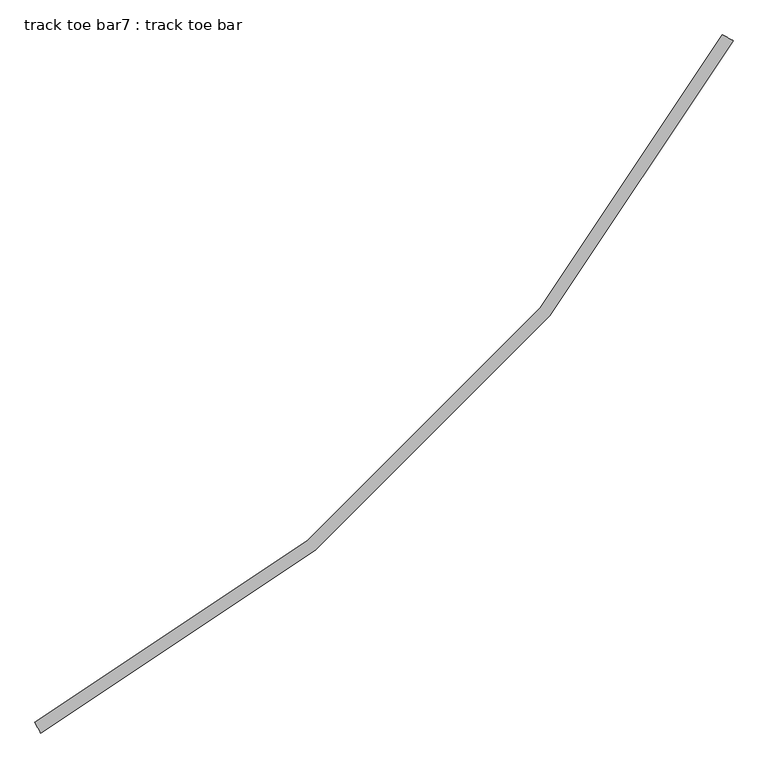
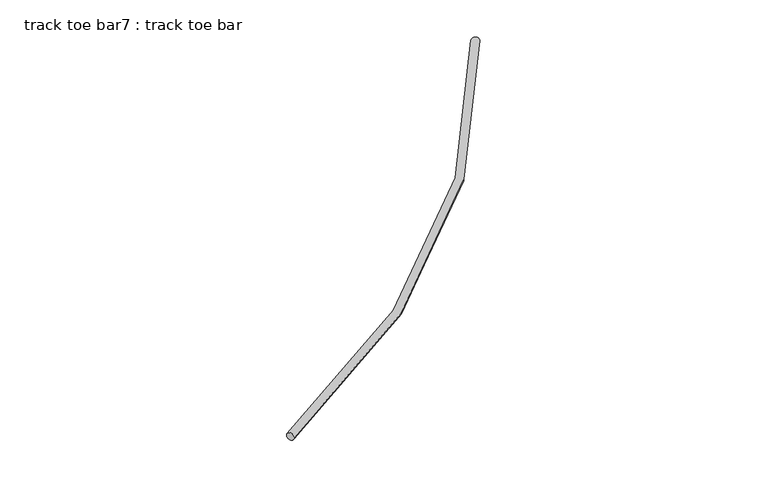
"""IFC4 building model written with IfcOpenShell, lengths in millimetres: proxy geometry, track toe bar7 : track toe bar."""

from ifc_helpers import new_model, si_unit, point, frame, origin, place, context, project, spatial, circle_curve, ellipse_curve, trimmed, source, transform, mapped, element, save
from ifc_brep_helpers import plane_surface, revolved_surface, advanced_brep


def track_toe_bar7_track_toe_bar_f1b9be65(model_context):
    return source(origin(), model_context, "Body", "AdvancedBrep", [
        advanced_brep(
        [(751147.8557519, -293975.3030125, 4855.8150744), (751183.7145754, -294042.5383066, 4855.8150744), (755462.1204578, -289661.0383066, 4855.8150744), (755529.3557519, -289696.8971301, 4855.8150744)],
        [
            (0, 1, circle_curve(frame((751165.7851636, -294008.9206595, 4855.8150744), z_axis=(-0.8823529411766178, -0.47058823529384186, 0.0), x_axis=(0.47058823529384186, -0.8823529411766178, 0.0)), 38.1)),
            (1, 0, circle_curve(frame((751165.7851636, -294008.9206595, 4855.8150744), z_axis=(-0.8823529411766178, -0.47058823529384186, 0.0), x_axis=(0.47058823529384186, -0.8823529411766178, 0.0)), 38.1)),
            (2, 3, circle_curve(frame((755495.7381048, -289678.9677184, 4855.8150744), z_axis=(0.47058823529386234, 0.8823529411766067, 0.0), x_axis=(0.8823529411766067, -0.47058823529386234, 0.0)), 38.1)),
            (3, 2, circle_curve(frame((755495.7381048, -289678.9677184, 4855.8150744), z_axis=(0.47058823529386234, 0.8823529411766067, 0.0), x_axis=(0.8823529411766067, -0.47058823529386234, 0.0)), 38.1)),
            (2, 0, circle_curve(frame((746217.2675166, -284730.4500713, 4855.8150744), z_axis=(0.0, 0.0, -1.0), x_axis=(0.47058823529384175, -0.8823529411766178, 0.0)), 10477.5)),
            (1, 3, circle_curve(frame((746217.2675166, -284730.4500713, 4855.8150744), z_axis=(0.0, 0.0, 1.0), x_axis=(0.47058823529384175, -0.8823529411766178, 0.0)), 10553.7)),
        ],
        [
            plane_surface(frame((751165.7851636, -294008.9206595, 4927.6), z_axis=(-0.8823529411766178, -0.47058823529384186, 0.0), x_axis=(0.0, 0.0, 1.0))),
            plane_surface(frame((755495.7381048, -289678.9677184, 4927.6), z_axis=(0.4705882352938624, 0.8823529411766067, 0.0), x_axis=(0.0, 0.0, 1.0))),
            revolved_surface(trimmed(ellipse_curve(frame((751165.7851636, -294008.9206595, 4855.8150744), z_axis=(-0.8823529411766178, -0.47058823529384186, 0.0), x_axis=(0.47058823529384186, -0.8823529411766178, 0.0)), 38.1, 38.1), [point((751183.7145754, -294042.5383066, 4855.8150744))], [point((751147.8557519, -293975.3030125, 4855.8150744))], True, "CARTESIAN"), (746217.2675166, -284730.4500713, 4927.6), (0.0, 0.0, 1.0)),
            revolved_surface(trimmed(ellipse_curve(frame((751165.7851636, -294008.9206595, 4855.8150744), z_axis=(-0.8823529411766178, -0.47058823529384186, 0.0), x_axis=(0.47058823529384186, -0.8823529411766178, 0.0)), 38.1, 38.1), [point((751147.8557519, -293975.3030125, 4855.8150744))], [point((751183.7145754, -294042.5383066, 4855.8150744))], True, "CARTESIAN"), (746217.2675166, -284730.4500713, 4927.6), (0.0, 0.0, 1.0)),
        ],
        [
            (0, [[1, 2]]),
            (1, [[3, 4]]),
            (2, [[5, -2, 6, -3]]),
            (3, [[-6, -1, -5, -4]]),
        ],
    ),
    ])


if __name__ == "__main__":
    model = new_model("IFC4")
    model_context = context("Model", 3, world=origin())
    ifc_project = project(units=[si_unit("LENGTHUNIT", "METRE", prefix="MILLI")], contexts=[model_context])
    site = spatial("IfcSite", under=ifc_project)
    building = spatial("IfcBuilding", under=site)
    placement = place(None, origin())
    track_toe_bar7_track_toe_bar_shape = track_toe_bar7_track_toe_bar_f1b9be65(model_context)
    element("IfcBuildingElementProxy", 1, Name="track toe bar7 : track toe bar", ObjectType="track toe bar7 : track toe bar", at=placement, inside=building, context=model_context, shape_type="MappedRepresentation", body=[
        mapped(track_toe_bar7_track_toe_bar_shape, transform((0.0, 0.0, 0.0), x_axis=(1.0, 0.0, 0.0), y_axis=(0.0, 1.0, 0.0), z_axis=(0.0, 0.0, 1.0))),
    ])
    save(model, "model.ifc")
